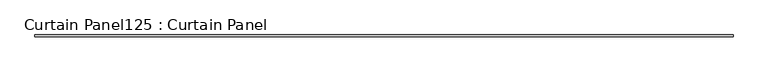
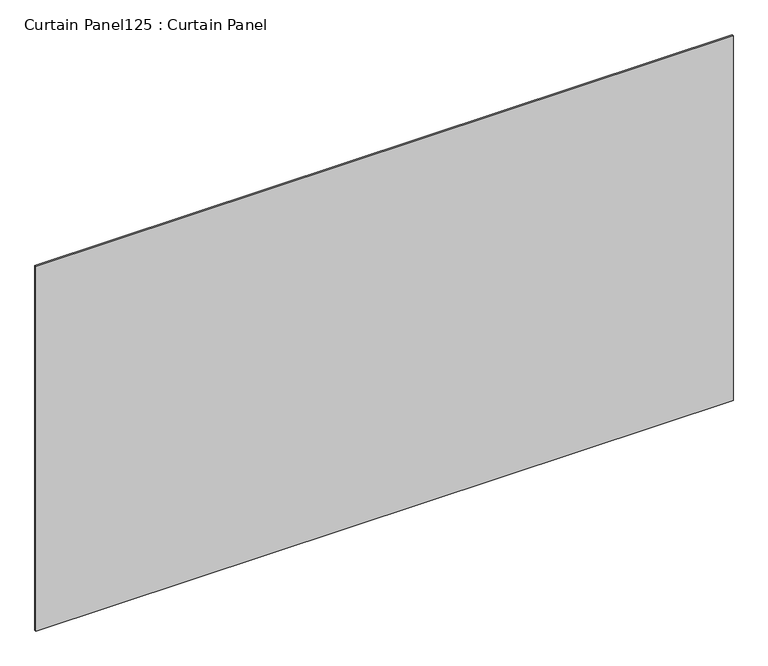
"""IFC4 building model written with IfcOpenShell, lengths in millimetres: plate geometry, Curtain Panel125 : Curtain Panel."""

import ifcopenshell
import ifcopenshell.guid

model = None  # the IFC model being written
_history = None  # IfcOwnerHistory: only IFC2X3 demands one
_inside = {}  # id of a spatial element -> (the spatial element, [elements in it])
_under = {}  # id of a project, library or spatial element -> (it, [spatial elements below it])
_declared = {}  # id of a project -> (the project, [libraries it declares])
_typed = {}  # id of a type object -> (the type object, [elements of that type])
_made_of = {}  # id of a material, layer set ... -> (it, [elements and type objects made of it])


def new_model(schema):
    """Start an empty IFC model of exactly this schema.

    Asked for "IFC4X3", IfcOpenShell would pick the latest addendum, in which some entities
    have other attributes; the version numbers below select the first issue.
    IFC2X3 requires an IfcOwnerHistory on every rooted entity: one is made here for all.
    """
    global model, _history
    if schema == "IFC4X3":
        model = ifcopenshell.file(schema_version=(4, 3, 0, 0))
    else:
        model = ifcopenshell.file(schema=schema)
    _inside.clear()
    _under.clear()
    _declared.clear()
    _typed.clear()
    _made_of.clear()
    _history = None
    if model.schema == "IFC2X3":
        org = make("IfcOrganization", Name="unknown")
        user = make(
            "IfcPersonAndOrganization",
            ThePerson=make("IfcPerson", FamilyName="unknown"),
            TheOrganization=org,
        )
        app = make(
            "IfcApplication",
            ApplicationDeveloper=org,
            Version="unknown",
            ApplicationFullName="unknown",
            ApplicationIdentifier="unknown",
        )
        _history = make(
            "IfcOwnerHistory",
            OwningUser=user,
            OwningApplication=app,
            ChangeAction="ADDED",
            CreationDate=0,
        )
    return model


def make(cls, **values):
    """One entity of the class cls with the attributes given. An attribute that is None is left unset."""
    return model.create_entity(
        cls, **{name: value for name, value in values.items() if value is not None}
    )


def rooted(cls, **values):
    """An entity with a GlobalId (a new one), such as an element, a storey or a relation."""
    return make(cls, GlobalId=ifcopenshell.guid.new(), OwnerHistory=_history, **values)


def si_unit(unit_type, name, prefix=None):
    """IfcSIUnit, for example si_unit("LENGTHUNIT", "METRE", prefix="MILLI")."""
    return make("IfcSIUnit", UnitType=unit_type, Prefix=prefix, Name=name)


def assignment(units):
    """IfcUnitAssignment: the units of a project."""
    return None if units is None else make("IfcUnitAssignment", Units=units)


def point(xyz):
    """IfcCartesianPoint."""
    return None if xyz is None else make("IfcCartesianPoint", Coordinates=xyz)


def direction(xyz):
    """IfcDirection."""
    return None if xyz is None else make("IfcDirection", DirectionRatios=xyz)


def frame(location, z_axis=None, x_axis=None):
    """IfcAxis2Placement3D, a coordinate frame: its origin and axes. An axis left out is left unset."""
    return make(
        "IfcAxis2Placement3D",
        Location=point(location),
        Axis=direction(z_axis),
        RefDirection=direction(x_axis),
    )


def origin():
    """The frame at (0, 0, 0) with its axes left unset."""
    return frame((0.0, 0.0, 0.0))


def place(relative_to, where):
    """IfcLocalPlacement: puts the frame where relative to a parent placement (None: the world)."""
    return make(
        "IfcLocalPlacement", PlacementRelTo=relative_to, RelativePlacement=where
    )


def context(
    kind, dimensions, precision=None, world=None, true_north=None, identifier=None
):
    """IfcGeometricRepresentationContext, for example the 3D "Model" context."""
    return make(
        "IfcGeometricRepresentationContext",
        ContextIdentifier=identifier,
        ContextType=kind,
        CoordinateSpaceDimension=dimensions,
        Precision=precision,
        WorldCoordinateSystem=world,
        TrueNorth=true_north,
    )


def project(units=None, contexts=None):
    """IfcProject with its units and contexts."""
    return rooted(
        "IfcProject",
        Name="project",
        RepresentationContexts=contexts,
        UnitsInContext=assignment(units),
    )


def spatial(cls, under=None, at=None, **own):
    """A site, building, storey or space (cls), placed at a placement, below another one or the project."""
    s = rooted(cls, ObjectPlacement=at, **own)
    if under is not None:
        _under.setdefault(under.id(), (under, []))[1].append(s)
    return s


def polyline(points):
    """IfcPolyline through the points."""
    return make("IfcPolyline", Points=[point(p) for p in points])


def outline(outer, holes=None, kind="AREA"):
    """IfcArbitraryClosedProfileDef: a profile drawn as a closed curve; with holes, ...WithVoids."""
    if holes is None:
        return make("IfcArbitraryClosedProfileDef", ProfileType=kind, OuterCurve=outer)
    return make(
        "IfcArbitraryProfileDefWithVoids",
        ProfileType=kind,
        OuterCurve=outer,
        InnerCurves=holes,
    )


def extrude(swept, where, along, depth):
    """IfcExtrudedAreaSolid: the profile swept, set in the frame where, extruded along a direction by depth."""
    return make(
        "IfcExtrudedAreaSolid",
        SweptArea=swept,
        Position=where,
        ExtrudedDirection=direction(along),
        Depth=depth,
    )


def shape(context_of_items, identifier, shape_type, items):
    """IfcShapeRepresentation: the items that make up one representation, for example the "Body"."""
    return make(
        "IfcShapeRepresentation",
        ContextOfItems=context_of_items,
        RepresentationIdentifier=identifier,
        RepresentationType=shape_type,
        Items=items,
    )


def source(mapping_origin, context_of_items, identifier, shape_type, items):
    """IfcRepresentationMap: a shape defined once, which mapped items show again and again."""
    return make(
        "IfcRepresentationMap",
        MappingOrigin=mapping_origin,
        MappedRepresentation=shape(context_of_items, identifier, shape_type, items),
    )


def transform(
    local_origin,
    x_axis=None,
    y_axis=None,
    z_axis=None,
    scale=None,
    scale2=None,
    scale3=None,
    uniform=True,
):
    """IfcCartesianTransformationOperator3D, or its non-uniform kind. x_axis, y_axis, z_axis: its Axis1, 2, 3."""
    if uniform:
        return make(
            "IfcCartesianTransformationOperator3D",
            Axis1=direction(x_axis),
            Axis2=direction(y_axis),
            LocalOrigin=point(local_origin),
            Scale=scale,
            Axis3=direction(z_axis),
        )
    return make(
        "IfcCartesianTransformationOperator3DnonUniform",
        Axis1=direction(x_axis),
        Axis2=direction(y_axis),
        LocalOrigin=point(local_origin),
        Scale=scale,
        Axis3=direction(z_axis),
        Scale2=scale2,
        Scale3=scale3,
    )


def mapped(mapping_source, mapping_target):
    """IfcMappedItem: shows the shape of a source again, moved by a transform."""
    return make(
        "IfcMappedItem", MappingSource=mapping_source, MappingTarget=mapping_target
    )


def made_of(thing, what):
    """Note that an element or type object is made of a material, layer set ...; save() writes the relation."""
    if what is not None:
        _made_of.setdefault(what.id(), (what, []))[1].append(thing)
    return thing


def element(
    cls,
    number,
    at=None,
    inside=None,
    cuts=None,
    type_object=None,
    material=None,
    context=None,
    identifier="Body",
    shape_type=None,
    held_by="IfcProductDefinitionShape",
    body=None,
    shapes=None,
    **own,
):
    """One element of the class cls, such as IfcWall. Its Tag is "e" and its number.

    at: its placement. inside: the storey or other place that contains it. cuts: it is an
    opening in that element (IfcRelVoidsElement). A single representation is given by context,
    identifier, shape_type and body (its items); several are given by shapes. held_by: the class
    of the entity that holds the representations. save() writes the other relations.
    """
    e = rooted(cls, Tag="e%d" % number, ObjectPlacement=at, **own)
    if body is not None:
        shapes = [shape(context, identifier, shape_type, body)]
    if shapes is not None:
        e.Representation = make(held_by, Representations=shapes)
    if inside is not None:
        _inside.setdefault(inside.id(), (inside, []))[1].append(e)
    if cuts is not None:
        rooted(
            "IfcRelVoidsElement", RelatingBuildingElement=cuts, RelatedOpeningElement=e
        )
    if type_object is not None:
        _typed.setdefault(type_object.id(), (type_object, []))[1].append(e)
    return made_of(e, material)


def aggregate(whole, parts):
    """IfcRelAggregates: a whole, such as a stair, and the parts it consists of."""
    return rooted("IfcRelAggregates", RelatingObject=whole, RelatedObjects=parts)


def save(model, path):
    """Write the relations noted so far, then the file.

    IfcRelAggregates (storeys below a building ...), IfcRelContainedInSpatialStructure (elements
    in a storey), IfcRelDefinesByType, IfcRelAssociatesMaterial and IfcRelDeclares: one each for
    every whole, place, type object, material and project.
    """
    for whole, parts in _under.values():
        aggregate(whole, parts)
    for where, things in _inside.values():
        rooted(
            "IfcRelContainedInSpatialStructure",
            RelatedElements=things,
            RelatingStructure=where,
        )
    for kind, things in _typed.values():
        rooted("IfcRelDefinesByType", RelatedObjects=things, RelatingType=kind)
    for what, things in _made_of.values():
        rooted("IfcRelAssociatesMaterial", RelatedObjects=things, RelatingMaterial=what)
    for by, libraries in _declared.values():
        rooted("IfcRelDeclares", RelatingContext=by, RelatedDefinitions=libraries)
    model.write(path)


def curtain_panel125_curtain_panel_4b9997a9(model_context):
    return source(origin(), model_context, "Body", "SweptSolid", [
        extrude(outline(polyline([(277055.3063541, 2414.4484836), (274464.5063541, 2414.4484836), (274464.5063541, 2420.7984836), (277055.3063541, 2420.7984836), (277055.3063541, 2414.4484836)])), frame((0.0, 0.0, 4914.2249337), z_axis=(0.0, 0.0, 1.0), x_axis=(1.0, 0.0, 0.0)), (0.0, 0.0, 1.0), 1433.1091076),
    ])


if __name__ == "__main__":
    model = new_model("IFC4")
    model_context = context("Model", 3, world=origin())
    ifc_project = project(units=[si_unit("LENGTHUNIT", "METRE", prefix="MILLI")], contexts=[model_context])
    site = spatial("IfcSite", under=ifc_project)
    building = spatial("IfcBuilding", under=site)
    placement = place(None, origin())
    curtain_panel125_curtain_panel_shape = curtain_panel125_curtain_panel_4b9997a9(model_context)
    element("IfcPlate", 1, ObjectType="Curtain Panel125 : Curtain Panel", at=placement, inside=building, context=model_context, shape_type="MappedRepresentation", body=[
        mapped(curtain_panel125_curtain_panel_shape, transform((0.0, 0.0, 0.0), x_axis=(1.0, 0.0, 0.0), y_axis=(0.0, 1.0, 0.0), z_axis=(0.0, 0.0, 1.0))),
    ])
    save(model, "model.ifc")
